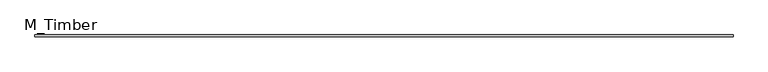
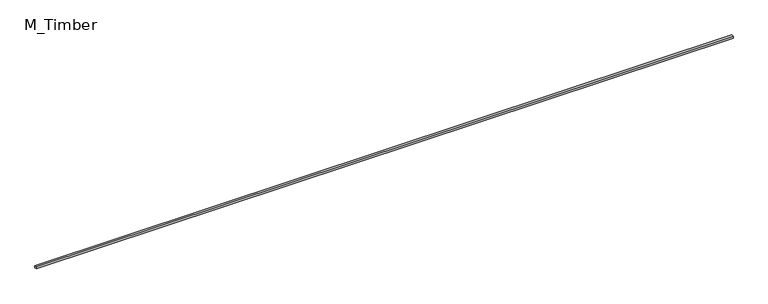
"""IFC4 building model written with IfcOpenShell, lengths in millimetres: beam geometry, M_Timber."""

from ifc_helpers import new_model, si_unit, frame, origin, place, context, project, spatial, polyline, outline, extrude, source, transform, mapped, element, save


def m_timber_b3066425(model_context):
    return source(origin(), model_context, "Body", "SweptSolid", [
        extrude(outline(polyline([(6751.0427894, 20.0), (6751.0427894, -20.0), (-6751.0427894, -20.0), (-6751.0427894, 20.0), (6751.0427894, 20.0)])), frame((0.0, 0.0, -20.0), z_axis=(0.0, 0.0, 1.0), x_axis=(1.0, 0.0, 0.0)), (0.0, 0.0, 1.0), 40.0),
    ])


if __name__ == "__main__":
    model = new_model("IFC4")
    model_context = context("Model", 3, world=origin())
    ifc_project = project(units=[si_unit("LENGTHUNIT", "METRE", prefix="MILLI")], contexts=[model_context])
    site = spatial("IfcSite", under=ifc_project)
    building = spatial("IfcBuilding", under=site)
    placement = place(None, origin())
    m_timber_shape = m_timber_b3066425(model_context)
    element("IfcBeam", 1, ObjectType="M_Timber", at=placement, inside=building, context=model_context, shape_type="MappedRepresentation", body=[
        mapped(m_timber_shape, transform((0.0, 0.0, 0.0), x_axis=(1.0, 0.0, 0.0), y_axis=(0.0, 1.0, 0.0), z_axis=(0.0, 0.0, 1.0))),
    ])
    save(model, "model.ifc")
